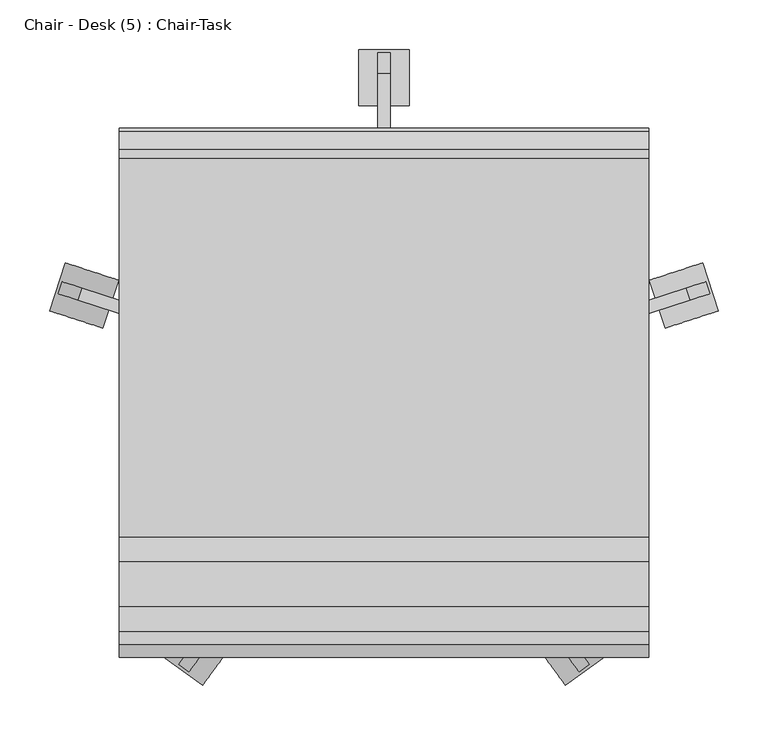
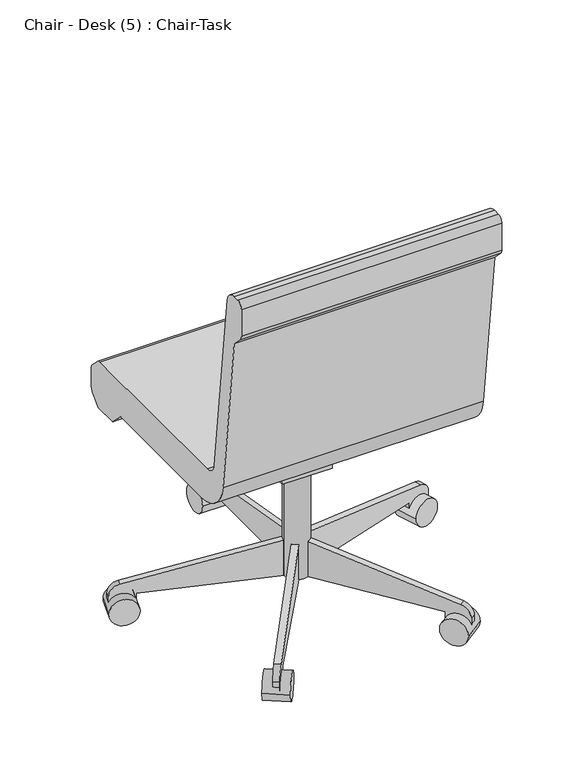
"""IFC4 building model written with IfcOpenShell, lengths in millimetres: furniture geometry, Chair - Desk (5) : Chair-Task."""

from ifc_helpers import new_model, si_unit, point, frame, frame_2d, origin, place, context, project, spatial, polyline, circle_curve, trimmed, segment, composite_curve, outline, extrude, source, transform, mapped, element, save


def chair_desk_5_chair_task_b7f3823b(model_context):
    return source(origin(), model_context, "Body", "SweptSolid", [
        extrude(outline(composite_curve([segment(trimmed(circle_curve(frame_2d((140.9908197, 18.9459016)), 25.4), [point((115.5908197, 18.9459016))], [point((166.3908197, 18.9459016))], False, "CARTESIAN"), True, "CONTINUOUS"), segment(trimmed(circle_curve(frame_2d((140.9908197, 18.9459016)), 25.4), [point((166.3908197, 18.9459016))], [point((115.5908197, 18.9459016))], False, "CARTESIAN"), True, "CONTINUOUS")], self_intersect=False)), frame((0.0, 0.0, 53.5835944), z_axis=(0.0, 0.0, 1.0), x_axis=(1.0, 0.0, 0.0)), (0.0, 0.0, 1.0), 330.5914056),
        extrude(outline(composite_curve([segment(trimmed(circle_curve(frame_2d((0.0, -28.2002727)), 28.2002727), [point((0.0, -56.4005455))], [point((0.0, 0.0))], False, "CARTESIAN"), True, "CONTINUOUS"), segment(trimmed(circle_curve(frame_2d((0.0, -28.2002727)), 28.2002727), [point((0.0, 0.0))], [point((0.0, -56.4005455))], False, "CARTESIAN"), True, "CONTINUOUS")], self_intersect=False)), frame((477.6203484, 101.6163254, 28.1835944), z_axis=(-0.3090169943749423, 0.9510565162951553, 0.0), x_axis=(0.0, 0.0, 1.0)), (0.0, 0.0, 1.0), 50.8),
        extrude(outline(composite_curve([segment(polyline([(-25.4, 0.0), (0.0, 0.0), (0.0, -50.8), (-24.303053, -50.8)]), True, "CONTINUOUS"), segment(trimmed(circle_curve(frame_2d((-24.303053, -25.4)), 25.4), [point((-24.303053, -50.8))], [point((-49.3171699, -29.8106637))], False, "CARTESIAN"), True, "CONTINUOUS"), segment(polyline([(-49.3171699, -29.8106637), (-101.6, 266.7), (-101.6, 292.1), (-25.4, 292.1), (-25.4, 0.0)]), True, "CONTINUOUS")], self_intersect=False)), frame((420.756686, 103.1705568, 28.1835944), z_axis=(-0.3090169943749423, 0.9510565162951553, 0.0), x_axis=(0.0, 0.0, -1.0)), (0.0, 0.0, 1.0), 12.7),
        extrude(outline(composite_curve([segment(trimmed(circle_curve(frame_2d((0.0, -28.2002727)), 28.2002727), [point((0.0, -56.4005455))], [point((0.0, 0.0))], False, "CARTESIAN"), True, "CONTINUOUS"), segment(trimmed(circle_curve(frame_2d((0.0, -28.2002727)), 28.2002727), [point((0.0, 0.0))], [point((0.0, -56.4005455))], False, "CARTESIAN"), True, "CONTINUOUS")], self_intersect=False)), frame((323.63931, -275.6612394, 28.1835944), z_axis=(0.8090169943749499, 0.5877852522924699, 0.0), x_axis=(0.0, 0.0, 1.0)), (0.0, 0.0, 1.0), 50.8),
        extrude(outline(composite_curve([segment(polyline([(-25.4, 0.0), (0.0, 0.0), (0.0, -50.8), (-24.303053, -50.8)]), True, "CONTINUOUS"), segment(trimmed(circle_curve(frame_2d((-24.303053, -25.3999999)), 25.4), [point((-24.303053, -50.8))], [point((-49.3171699, -29.8106636))], False, "CARTESIAN"), True, "CONTINUOUS"), segment(polyline([(-49.3171699, -29.8106636), (-101.6, 266.7), (-101.6, 292.1), (-25.4, 292.1), (-25.4, 0.0)]), True, "CONTINUOUS")], self_intersect=False)), frame((307.545634, -221.1003988, 28.1835944), z_axis=(0.8090169943749499, 0.5877852522924699, 0.0), x_axis=(0.0, 0.0, -1.0)), (0.0, 0.0, 1.0), 12.7),
        extrude(outline(composite_curve([segment(trimmed(circle_curve(frame_2d((0.0, -28.2002727)), 28.2002727), [point((0.0, -56.4005455))], [point((0.0, 0.0))], False, "CARTESIAN"), True, "CONTINUOUS"), segment(trimmed(circle_curve(frame_2d((0.0, -28.2002727)), 28.2002727), [point((0.0, 0.0))], [point((0.0, -56.4005455))], False, "CARTESIAN"), True, "CONTINUOUS")], self_intersect=False)), frame((-41.6576707, -275.6612394, 28.1835944), z_axis=(-0.8090169943749458, 0.5877852522924754, 0.0), x_axis=(0.0, 0.0, -1.0)), (0.0, 0.0, 1.0), 50.8),
        extrude(outline(composite_curve([segment(polyline([(25.4, 0.0), (25.4, 292.1), (101.6, 292.1), (101.6, 266.7), (49.3171699, -29.8106637)]), True, "CONTINUOUS"), segment(trimmed(circle_curve(frame_2d((24.303053, -25.3999999)), 25.4), [point((49.3171699, -29.8106637))], [point((24.303053, -50.8))], False, "CARTESIAN"), True, "CONTINUOUS"), segment(polyline([(24.303053, -50.8), (0.0, -50.8), (0.0, 0.0), (25.4, 0.0)]), True, "CONTINUOUS")], self_intersect=False)), frame((-25.5639946, -221.1003988, 28.1835944), z_axis=(-0.8090169943749459, 0.5877852522924754, 0.0), x_axis=(0.0, 0.0, 1.0)), (0.0, 0.0, 1.0), 12.7),
        extrude(outline(composite_curve([segment(trimmed(circle_curve(frame_2d((0.0, -28.2002727)), 28.2002727), [point((0.0, -56.4005454))], [point((0.0, 0.0))], False, "CARTESIAN"), True, "CONTINUOUS"), segment(trimmed(circle_curve(frame_2d((0.0, -28.2002727)), 28.2002727), [point((0.0, 0.0))], [point((0.0, -56.4005454))], False, "CARTESIAN"), True, "CONTINUOUS")], self_intersect=False)), frame((-195.638709, 101.6163254, 28.1835944), z_axis=(0.3090169943749487, 0.9510565162951532, 0.0), x_axis=(0.0, 0.0, -1.0)), (0.0, 0.0, 1.0), 50.8),
        extrude(outline(composite_curve([segment(polyline([(25.4, 0.0), (25.4, 292.1000001), (101.6, 292.1000001), (101.6, 266.7), (49.3171699, -29.8106636)]), True, "CONTINUOUS"), segment(trimmed(circle_curve(frame_2d((24.303053, -25.4)), 25.4), [point((49.3171699, -29.8106636))], [point((24.303053, -50.8))], False, "CARTESIAN"), True, "CONTINUOUS"), segment(polyline([(24.303053, -50.8), (0.0, -50.8), (0.0, 0.0), (25.4, 0.0)]), True, "CONTINUOUS")], self_intersect=False)), frame((-138.7750467, 103.1705568, 28.1835944), z_axis=(0.3090169943749487, 0.9510565162951532, 0.0), x_axis=(0.0, 0.0, 1.0)), (0.0, 0.0, 1.0), 12.7),
        extrude(outline(composite_curve([segment(trimmed(circle_curve(frame_2d((336.4459016, 28.1835944)), 28.2002727), [point((308.2456289, 28.1835944))], [point((364.6461744, 28.1835944))], False, "CARTESIAN"), True, "CONTINUOUS"), segment(trimmed(circle_curve(frame_2d((336.4459016, 28.1835944)), 28.2002727), [point((364.6461744, 28.1835944))], [point((308.2456289, 28.1835944))], False, "CARTESIAN"), True, "CONTINUOUS")], self_intersect=False)), frame((115.5908197, 0.0, 0.0), z_axis=(1.0, 0.0, 0.0), x_axis=(0.0, 1.0, 0.0)), (0.0, 0.0, 1.0), 50.8),
        extrude(outline(composite_curve([segment(polyline([(311.0459016, 53.5835944), (18.9459016, 53.5835944), (18.9459016, 129.7835944), (44.3459016, 129.7835944), (340.8565654, 77.5007643)]), True, "CONTINUOUS"), segment(trimmed(circle_curve(frame_2d((336.4459016, 52.4866474)), 25.4), [point((340.8565654, 77.5007643))], [point((361.8459016, 52.4866474))], False, "CARTESIAN"), True, "CONTINUOUS"), segment(polyline([(361.8459016, 52.4866474), (361.8459016, 28.1835944), (311.0459016, 28.1835944), (311.0459016, 53.5835944)]), True, "CONTINUOUS")], self_intersect=False)), frame((134.6408197, 0.0, 0.0), z_axis=(1.0, 0.0, 0.0), x_axis=(0.0, 1.0, 0.0)), (0.0, 0.0, 1.0), 12.7),
        extrude(outline(polyline([(69.7459016, 383.7835944), (69.7459016, 371.0835944), (18.9459016, 283.0954134), (-19.1540984, 283.0954134), (-19.1540984, 383.7835944), (69.7459016, 383.7835944)])), frame((90.1908197, 0.0, 0.0), z_axis=(1.0, 0.0, 0.0), x_axis=(0.0, 1.0, 0.0)), (0.0, 0.0, 1.0), 101.6),
        extrude(outline(composite_curve([segment(polyline([(-126.2050455, 457.2), (255.0102301, 457.2)]), True, "CONTINUOUS"), segment(trimmed(circle_curve(frame_2d((255.0102301, 444.5)), 12.7), [point((255.0102301, 457.2))], [point((263.9604301, 453.510212))], False, "CARTESIAN"), True, "CONTINUOUS"), segment(polyline([(263.9604301, 453.510212), (281.8961016, 435.6939999)]), True, "CONTINUOUS"), segment(trimmed(circle_curve(frame_2d((272.9459016, 426.6837879)), 12.7), [point((281.8961016, 435.6939999))], [point((285.6459016, 426.6837879))], False, "CARTESIAN"), True, "CONTINUOUS"), segment(polyline([(285.6459016, 426.6837879), (285.6459016, 391.6405184)]), True, "CONTINUOUS"), segment(trimmed(circle_curve(frame_2d((260.2459016, 391.6405184)), 25.4), [point((285.6459016, 391.6405184))], [point((278.2663256, 373.7401184))], False, "CARTESIAN"), True, "CONTINUOUS"), segment(polyline([(278.2663256, 373.7401184), (260.2470284, 355.6), (209.4470284, 355.6), (181.0744602, 383.7835944), (-107.1089978, 383.7835944)]), True, "CONTINUOUS"), segment(trimmed(circle_curve(frame_2d((-107.1089978, 459.9835944)), 76.2), [point((-107.1089978, 383.7835944))], [point((-182.7870738, 451.0802913))], False, "CARTESIAN"), True, "CONTINUOUS"), segment(polyline([(-182.7870738, 451.0802913), (-222.3540984, 787.4), (-244.0343545, 809.0802561)]), True, "CONTINUOUS"), segment(trimmed(circle_curve(frame_2d((-235.0540984, 818.0605122)), 12.7), [point((-244.0343545, 809.0802561))], [point((-247.7540984, 818.0605122))], False, "CARTESIAN"), True, "CONTINUOUS"), segment(polyline([(-247.7540984, 818.0605122), (-247.7540984, 876.3)]), True, "CONTINUOUS"), segment(trimmed(circle_curve(frame_2d((-235.0540984, 876.3)), 12.7), [point((-247.7540984, 876.3))], [point((-235.0540984, 889.0))], False, "CARTESIAN"), True, "CONTINUOUS"), segment(polyline([(-235.0540984, 889.0), (-222.1789239, 889.0)]), True, "CONTINUOUS"), segment(trimmed(circle_curve(frame_2d((-222.1789239, 863.6)), 25.4), [point((-222.1789239, 889.0))], [point((-196.9528985, 866.5677677))], False, "CARTESIAN"), True, "CONTINUOUS"), segment(polyline([(-196.9528985, 866.5677677), (-151.4310708, 479.6322323)]), True, "CONTINUOUS"), segment(trimmed(circle_curve(frame_2d((-126.2050455, 482.6)), 25.4), [point((-151.4310708, 479.6322323))], [point((-126.2050455, 457.2))], True, "CARTESIAN"), True, "CONTINUOUS")], self_intersect=False)), frame((-125.7091803, 0.0, 0.0), z_axis=(1.0, 0.0, 0.0), x_axis=(0.0, 1.0, 0.0)), (0.0, 0.0, 1.0), 533.4),
    ])


if __name__ == "__main__":
    model = new_model("IFC4")
    model_context = context("Model", 3, world=origin())
    ifc_project = project(units=[si_unit("LENGTHUNIT", "METRE", prefix="MILLI")], contexts=[model_context])
    site = spatial("IfcSite", under=ifc_project)
    building = spatial("IfcBuilding", under=site)
    placement = place(None, origin())
    chair_desk_5_chair_task_shape = chair_desk_5_chair_task_b7f3823b(model_context)
    element("IfcFurniture", 1, ObjectType="Chair - Desk (5) : Chair-Task", at=placement, inside=building, context=model_context, shape_type="MappedRepresentation", body=[
        mapped(chair_desk_5_chair_task_shape, transform((0.0, 0.0, 0.0), x_axis=(1.0, 0.0, 0.0), y_axis=(0.0, 1.0, 0.0), z_axis=(0.0, 0.0, 1.0))),
    ])
    save(model, "model.ifc")
